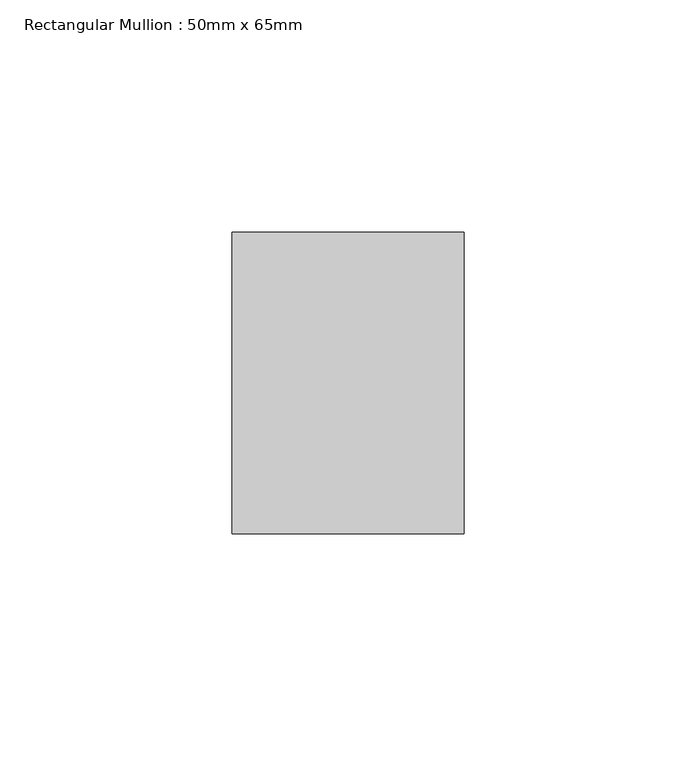
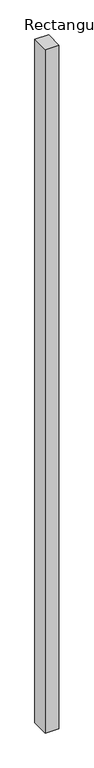
"""IFC4 building model written with IfcOpenShell, lengths in millimetres: member geometry, Rectangular Mullion : 50mm x 65mm."""

import ifcopenshell
import ifcopenshell.guid

model = None  # the IFC model being written
_history = None  # IfcOwnerHistory: only IFC2X3 demands one
_inside = {}  # id of a spatial element -> (the spatial element, [elements in it])
_under = {}  # id of a project, library or spatial element -> (it, [spatial elements below it])
_declared = {}  # id of a project -> (the project, [libraries it declares])
_typed = {}  # id of a type object -> (the type object, [elements of that type])
_made_of = {}  # id of a material, layer set ... -> (it, [elements and type objects made of it])


def new_model(schema):
    """Start an empty IFC model of exactly this schema.

    Asked for "IFC4X3", IfcOpenShell would pick the latest addendum, in which some entities
    have other attributes; the version numbers below select the first issue.
    IFC2X3 requires an IfcOwnerHistory on every rooted entity: one is made here for all.
    """
    global model, _history
    if schema == "IFC4X3":
        model = ifcopenshell.file(schema_version=(4, 3, 0, 0))
    else:
        model = ifcopenshell.file(schema=schema)
    _inside.clear()
    _under.clear()
    _declared.clear()
    _typed.clear()
    _made_of.clear()
    _history = None
    if model.schema == "IFC2X3":
        org = make("IfcOrganization", Name="unknown")
        user = make(
            "IfcPersonAndOrganization",
            ThePerson=make("IfcPerson", FamilyName="unknown"),
            TheOrganization=org,
        )
        app = make(
            "IfcApplication",
            ApplicationDeveloper=org,
            Version="unknown",
            ApplicationFullName="unknown",
            ApplicationIdentifier="unknown",
        )
        _history = make(
            "IfcOwnerHistory",
            OwningUser=user,
            OwningApplication=app,
            ChangeAction="ADDED",
            CreationDate=0,
        )
    return model


def make(cls, **values):
    """One entity of the class cls with the attributes given. An attribute that is None is left unset."""
    return model.create_entity(
        cls, **{name: value for name, value in values.items() if value is not None}
    )


def rooted(cls, **values):
    """An entity with a GlobalId (a new one), such as an element, a storey or a relation."""
    return make(cls, GlobalId=ifcopenshell.guid.new(), OwnerHistory=_history, **values)


def si_unit(unit_type, name, prefix=None):
    """IfcSIUnit, for example si_unit("LENGTHUNIT", "METRE", prefix="MILLI")."""
    return make("IfcSIUnit", UnitType=unit_type, Prefix=prefix, Name=name)


def assignment(units):
    """IfcUnitAssignment: the units of a project."""
    return None if units is None else make("IfcUnitAssignment", Units=units)


def point(xyz):
    """IfcCartesianPoint."""
    return None if xyz is None else make("IfcCartesianPoint", Coordinates=xyz)


def direction(xyz):
    """IfcDirection."""
    return None if xyz is None else make("IfcDirection", DirectionRatios=xyz)


def frame(location, z_axis=None, x_axis=None):
    """IfcAxis2Placement3D, a coordinate frame: its origin and axes. An axis left out is left unset."""
    return make(
        "IfcAxis2Placement3D",
        Location=point(location),
        Axis=direction(z_axis),
        RefDirection=direction(x_axis),
    )


def origin():
    """The frame at (0, 0, 0) with its axes left unset."""
    return frame((0.0, 0.0, 0.0))


def place(relative_to, where):
    """IfcLocalPlacement: puts the frame where relative to a parent placement (None: the world)."""
    return make(
        "IfcLocalPlacement", PlacementRelTo=relative_to, RelativePlacement=where
    )


def context(
    kind, dimensions, precision=None, world=None, true_north=None, identifier=None
):
    """IfcGeometricRepresentationContext, for example the 3D "Model" context."""
    return make(
        "IfcGeometricRepresentationContext",
        ContextIdentifier=identifier,
        ContextType=kind,
        CoordinateSpaceDimension=dimensions,
        Precision=precision,
        WorldCoordinateSystem=world,
        TrueNorth=true_north,
    )


def project(units=None, contexts=None):
    """IfcProject with its units and contexts."""
    return rooted(
        "IfcProject",
        Name="project",
        RepresentationContexts=contexts,
        UnitsInContext=assignment(units),
    )


def spatial(cls, under=None, at=None, **own):
    """A site, building, storey or space (cls), placed at a placement, below another one or the project."""
    s = rooted(cls, ObjectPlacement=at, **own)
    if under is not None:
        _under.setdefault(under.id(), (under, []))[1].append(s)
    return s


def polyline(points):
    """IfcPolyline through the points."""
    return make("IfcPolyline", Points=[point(p) for p in points])


def outline(outer, holes=None, kind="AREA"):
    """IfcArbitraryClosedProfileDef: a profile drawn as a closed curve; with holes, ...WithVoids."""
    if holes is None:
        return make("IfcArbitraryClosedProfileDef", ProfileType=kind, OuterCurve=outer)
    return make(
        "IfcArbitraryProfileDefWithVoids",
        ProfileType=kind,
        OuterCurve=outer,
        InnerCurves=holes,
    )


def extrude(swept, where, along, depth):
    """IfcExtrudedAreaSolid: the profile swept, set in the frame where, extruded along a direction by depth."""
    return make(
        "IfcExtrudedAreaSolid",
        SweptArea=swept,
        Position=where,
        ExtrudedDirection=direction(along),
        Depth=depth,
    )


def shape(context_of_items, identifier, shape_type, items):
    """IfcShapeRepresentation: the items that make up one representation, for example the "Body"."""
    return make(
        "IfcShapeRepresentation",
        ContextOfItems=context_of_items,
        RepresentationIdentifier=identifier,
        RepresentationType=shape_type,
        Items=items,
    )


def source(mapping_origin, context_of_items, identifier, shape_type, items):
    """IfcRepresentationMap: a shape defined once, which mapped items show again and again."""
    return make(
        "IfcRepresentationMap",
        MappingOrigin=mapping_origin,
        MappedRepresentation=shape(context_of_items, identifier, shape_type, items),
    )


def transform(
    local_origin,
    x_axis=None,
    y_axis=None,
    z_axis=None,
    scale=None,
    scale2=None,
    scale3=None,
    uniform=True,
):
    """IfcCartesianTransformationOperator3D, or its non-uniform kind. x_axis, y_axis, z_axis: its Axis1, 2, 3."""
    if uniform:
        return make(
            "IfcCartesianTransformationOperator3D",
            Axis1=direction(x_axis),
            Axis2=direction(y_axis),
            LocalOrigin=point(local_origin),
            Scale=scale,
            Axis3=direction(z_axis),
        )
    return make(
        "IfcCartesianTransformationOperator3DnonUniform",
        Axis1=direction(x_axis),
        Axis2=direction(y_axis),
        LocalOrigin=point(local_origin),
        Scale=scale,
        Axis3=direction(z_axis),
        Scale2=scale2,
        Scale3=scale3,
    )


def mapped(mapping_source, mapping_target):
    """IfcMappedItem: shows the shape of a source again, moved by a transform."""
    return make(
        "IfcMappedItem", MappingSource=mapping_source, MappingTarget=mapping_target
    )


def made_of(thing, what):
    """Note that an element or type object is made of a material, layer set ...; save() writes the relation."""
    if what is not None:
        _made_of.setdefault(what.id(), (what, []))[1].append(thing)
    return thing


def element(
    cls,
    number,
    at=None,
    inside=None,
    cuts=None,
    type_object=None,
    material=None,
    context=None,
    identifier="Body",
    shape_type=None,
    held_by="IfcProductDefinitionShape",
    body=None,
    shapes=None,
    **own,
):
    """One element of the class cls, such as IfcWall. Its Tag is "e" and its number.

    at: its placement. inside: the storey or other place that contains it. cuts: it is an
    opening in that element (IfcRelVoidsElement). A single representation is given by context,
    identifier, shape_type and body (its items); several are given by shapes. held_by: the class
    of the entity that holds the representations. save() writes the other relations.
    """
    e = rooted(cls, Tag="e%d" % number, ObjectPlacement=at, **own)
    if body is not None:
        shapes = [shape(context, identifier, shape_type, body)]
    if shapes is not None:
        e.Representation = make(held_by, Representations=shapes)
    if inside is not None:
        _inside.setdefault(inside.id(), (inside, []))[1].append(e)
    if cuts is not None:
        rooted(
            "IfcRelVoidsElement", RelatingBuildingElement=cuts, RelatedOpeningElement=e
        )
    if type_object is not None:
        _typed.setdefault(type_object.id(), (type_object, []))[1].append(e)
    return made_of(e, material)


def aggregate(whole, parts):
    """IfcRelAggregates: a whole, such as a stair, and the parts it consists of."""
    return rooted("IfcRelAggregates", RelatingObject=whole, RelatedObjects=parts)


def save(model, path):
    """Write the relations noted so far, then the file.

    IfcRelAggregates (storeys below a building ...), IfcRelContainedInSpatialStructure (elements
    in a storey), IfcRelDefinesByType, IfcRelAssociatesMaterial and IfcRelDeclares: one each for
    every whole, place, type object, material and project.
    """
    for whole, parts in _under.values():
        aggregate(whole, parts)
    for where, things in _inside.values():
        rooted(
            "IfcRelContainedInSpatialStructure",
            RelatedElements=things,
            RelatingStructure=where,
        )
    for kind, things in _typed.values():
        rooted("IfcRelDefinesByType", RelatedObjects=things, RelatingType=kind)
    for what, things in _made_of.values():
        rooted("IfcRelAssociatesMaterial", RelatedObjects=things, RelatingMaterial=what)
    for by, libraries in _declared.values():
        rooted("IfcRelDeclares", RelatingContext=by, RelatedDefinitions=libraries)
    model.write(path)


def rectangular_mullion_50mm_x_65mm_3fff5f15(model_context):
    return source(origin(), model_context, "Body", "SweptSolid", [
        extrude(outline(polyline([(25.0, 32.5), (25.0, -32.5), (-25.0, -32.5), (-25.0, 32.5), (25.0, 32.5)])), frame((0.0, 0.0, -2625.0741655), z_axis=(0.0, 0.0, 1.0), x_axis=(1.0, 0.0, 0.0)), (0.0, 0.0, 1.0), 2625.0741655),
    ])


if __name__ == "__main__":
    model = new_model("IFC4")
    model_context = context("Model", 3, world=origin())
    ifc_project = project(units=[si_unit("LENGTHUNIT", "METRE", prefix="MILLI")], contexts=[model_context])
    site = spatial("IfcSite", under=ifc_project)
    building = spatial("IfcBuilding", under=site)
    placement = place(None, origin())
    rectangular_mullion_50mm_x_65mm_shape = rectangular_mullion_50mm_x_65mm_3fff5f15(model_context)
    element("IfcMember", 1, ObjectType="Rectangular Mullion : 50mm x 65mm", at=placement, inside=building, context=model_context, shape_type="MappedRepresentation", body=[
        mapped(rectangular_mullion_50mm_x_65mm_shape, transform((0.0, 0.0, 0.0), x_axis=(1.0, 0.0, 0.0), y_axis=(0.0, 1.0, 0.0), z_axis=(0.0, 0.0, 1.0))),
    ])
    save(model, "model.ifc")
